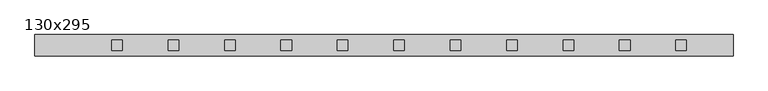
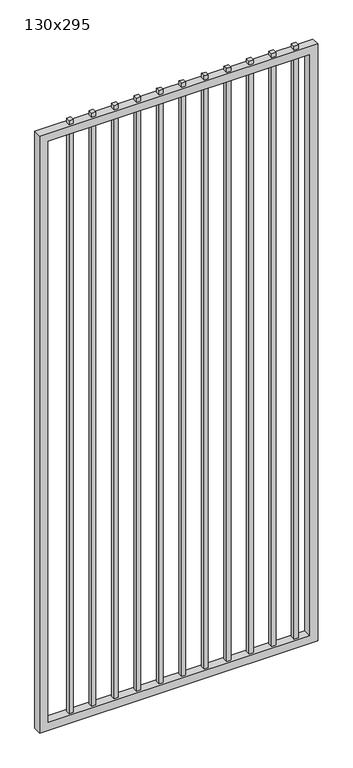
"""IFC4 building model written with IfcOpenShell, lengths in millimetres: proxy geometry, 130x295."""

from ifc_helpers import new_model, si_unit, frame, origin, place, context, project, spatial, polyline, outline, extrude, source, transform, mapped, element, save


def proxy_130x295_7a1132aa(model_context):
    return source(origin(), model_context, "Body", "SweptSolid", [
        extrude(outline(polyline([(1203.325, 9.525), (1203.325, -9.525), (1184.275, -9.525), (1184.275, 9.525), (1203.325, 9.525)])), frame((0.0, 0.0, 139.7), z_axis=(0.0, 0.0, 1.0), x_axis=(1.0, 0.0, 0.0)), (0.0, 0.0, 1.0), 2830.0),
        extrude(outline(polyline([(1101.725, 9.525), (1101.725, -9.525), (1082.675, -9.525), (1082.675, 9.525), (1101.725, 9.525)])), frame((0.0, 0.0, 139.7), z_axis=(0.0, 0.0, 1.0), x_axis=(1.0, 0.0, 0.0)), (0.0, 0.0, 1.0), 2830.0),
        extrude(outline(polyline([(1000.125, 9.525), (1000.125, -9.525), (981.075, -9.525), (981.075, 9.525), (1000.125, 9.525)])), frame((0.0, 0.0, 139.7), z_axis=(0.0, 0.0, 1.0), x_axis=(1.0, 0.0, 0.0)), (0.0, 0.0, 1.0), 2830.0),
        extrude(outline(polyline([(898.525, 9.525), (898.525, -9.525), (879.475, -9.525), (879.475, 9.525), (898.525, 9.525)])), frame((0.0, 0.0, 139.7), z_axis=(0.0, 0.0, 1.0), x_axis=(1.0, 0.0, 0.0)), (0.0, 0.0, 1.0), 2830.0),
        extrude(outline(polyline([(796.925, 9.525), (796.925, -9.525), (777.875, -9.525), (777.875, 9.525), (796.925, 9.525)])), frame((0.0, 0.0, 139.7), z_axis=(0.0, 0.0, 1.0), x_axis=(1.0, 0.0, 0.0)), (0.0, 0.0, 1.0), 2830.0),
        extrude(outline(polyline([(695.325, 9.525), (695.325, -9.525), (676.275, -9.525), (676.275, 9.525), (695.325, 9.525)])), frame((0.0, 0.0, 139.7), z_axis=(0.0, 0.0, 1.0), x_axis=(1.0, 0.0, 0.0)), (0.0, 0.0, 1.0), 2830.0),
        extrude(outline(polyline([(593.725, 9.525), (593.725, -9.525), (574.675, -9.525), (574.675, 9.525), (593.725, 9.525)])), frame((0.0, 0.0, 139.7), z_axis=(0.0, 0.0, 1.0), x_axis=(1.0, 0.0, 0.0)), (0.0, 0.0, 1.0), 2830.0),
        extrude(outline(polyline([(492.125, 9.525), (492.125, -9.525), (473.075, -9.525), (473.075, 9.525), (492.125, 9.525)])), frame((0.0, 0.0, 139.7), z_axis=(0.0, 0.0, 1.0), x_axis=(1.0, 0.0, 0.0)), (0.0, 0.0, 1.0), 2830.0),
        extrude(outline(polyline([(390.525, 9.525), (390.525, -9.525), (371.475, -9.525), (371.475, 9.525), (390.525, 9.525)])), frame((0.0, 0.0, 139.7), z_axis=(0.0, 0.0, 1.0), x_axis=(1.0, 0.0, 0.0)), (0.0, 0.0, 1.0), 2830.0),
        extrude(outline(polyline([(288.925, 9.525), (288.925, -9.525), (269.875, -9.525), (269.875, 9.525), (288.925, 9.525)])), frame((0.0, 0.0, 139.7), z_axis=(0.0, 0.0, 1.0), x_axis=(1.0, 0.0, 0.0)), (0.0, 0.0, 1.0), 2830.0),
        extrude(outline(polyline([(187.325, 9.525), (187.325, -9.525), (168.275, -9.525), (168.275, 9.525), (187.325, 9.525)])), frame((0.0, 0.0, 139.7), z_axis=(0.0, 0.0, 1.0), x_axis=(1.0, 0.0, 0.0)), (0.0, 0.0, 1.0), 2830.0),
        extrude(outline(polyline([(101.6, 1287.3), (2950.0, 1287.3), (2950.0, 30.0), (101.6, 30.0), (101.6, 1287.3)]), holes=[polyline([(2911.9, 1249.2), (139.7, 1249.2), (139.7, 68.1), (2911.9, 68.1), (2911.9, 1249.2)])]), frame((0.0, -19.05, 0.0), z_axis=(0.0, 1.0, 0.0), x_axis=(0.0, 0.0, 1.0)), (0.0, 0.0, 1.0), 38.1),
    ])


if __name__ == "__main__":
    model = new_model("IFC4")
    model_context = context("Model", 3, world=origin())
    ifc_project = project(units=[si_unit("LENGTHUNIT", "METRE", prefix="MILLI")], contexts=[model_context])
    site = spatial("IfcSite", under=ifc_project)
    building = spatial("IfcBuilding", under=site)
    placement = place(None, origin())
    proxy_130x295_shape = proxy_130x295_7a1132aa(model_context)
    element("IfcBuildingElementProxy", 1, Name="130x295", ObjectType="130x295", at=placement, inside=building, context=model_context, shape_type="MappedRepresentation", body=[
        mapped(proxy_130x295_shape, transform((0.0, 0.0, 0.0), x_axis=(1.0, 0.0, 0.0), y_axis=(0.0, 1.0, 0.0), z_axis=(0.0, 0.0, 1.0))),
    ])
    save(model, "model.ifc")
